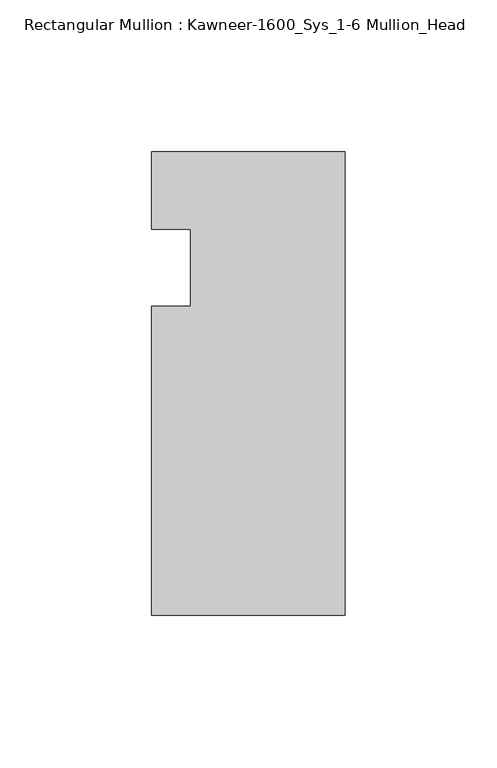
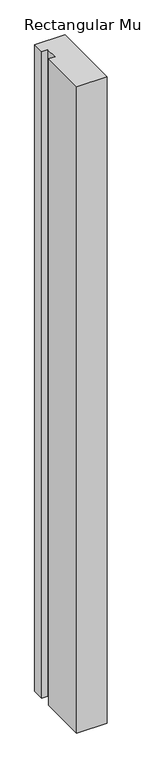
"""IFC4 building model written with IfcOpenShell, lengths in millimetres: member geometry, Rectangular Mullion : Kawneer-1600_Sys_1-6 Mullion_Head."""

import ifcopenshell
import ifcopenshell.guid

model = None  # the IFC model being written
_history = None  # IfcOwnerHistory: only IFC2X3 demands one
_inside = {}  # id of a spatial element -> (the spatial element, [elements in it])
_under = {}  # id of a project, library or spatial element -> (it, [spatial elements below it])
_declared = {}  # id of a project -> (the project, [libraries it declares])
_typed = {}  # id of a type object -> (the type object, [elements of that type])
_made_of = {}  # id of a material, layer set ... -> (it, [elements and type objects made of it])


def new_model(schema):
    """Start an empty IFC model of exactly this schema.

    Asked for "IFC4X3", IfcOpenShell would pick the latest addendum, in which some entities
    have other attributes; the version numbers below select the first issue.
    IFC2X3 requires an IfcOwnerHistory on every rooted entity: one is made here for all.
    """
    global model, _history
    if schema == "IFC4X3":
        model = ifcopenshell.file(schema_version=(4, 3, 0, 0))
    else:
        model = ifcopenshell.file(schema=schema)
    _inside.clear()
    _under.clear()
    _declared.clear()
    _typed.clear()
    _made_of.clear()
    _history = None
    if model.schema == "IFC2X3":
        org = make("IfcOrganization", Name="unknown")
        user = make(
            "IfcPersonAndOrganization",
            ThePerson=make("IfcPerson", FamilyName="unknown"),
            TheOrganization=org,
        )
        app = make(
            "IfcApplication",
            ApplicationDeveloper=org,
            Version="unknown",
            ApplicationFullName="unknown",
            ApplicationIdentifier="unknown",
        )
        _history = make(
            "IfcOwnerHistory",
            OwningUser=user,
            OwningApplication=app,
            ChangeAction="ADDED",
            CreationDate=0,
        )
    return model


def make(cls, **values):
    """One entity of the class cls with the attributes given. An attribute that is None is left unset."""
    return model.create_entity(
        cls, **{name: value for name, value in values.items() if value is not None}
    )


def rooted(cls, **values):
    """An entity with a GlobalId (a new one), such as an element, a storey or a relation."""
    return make(cls, GlobalId=ifcopenshell.guid.new(), OwnerHistory=_history, **values)


def si_unit(unit_type, name, prefix=None):
    """IfcSIUnit, for example si_unit("LENGTHUNIT", "METRE", prefix="MILLI")."""
    return make("IfcSIUnit", UnitType=unit_type, Prefix=prefix, Name=name)


def assignment(units):
    """IfcUnitAssignment: the units of a project."""
    return None if units is None else make("IfcUnitAssignment", Units=units)


def point(xyz):
    """IfcCartesianPoint."""
    return None if xyz is None else make("IfcCartesianPoint", Coordinates=xyz)


def direction(xyz):
    """IfcDirection."""
    return None if xyz is None else make("IfcDirection", DirectionRatios=xyz)


def frame(location, z_axis=None, x_axis=None):
    """IfcAxis2Placement3D, a coordinate frame: its origin and axes. An axis left out is left unset."""
    return make(
        "IfcAxis2Placement3D",
        Location=point(location),
        Axis=direction(z_axis),
        RefDirection=direction(x_axis),
    )


def origin():
    """The frame at (0, 0, 0) with its axes left unset."""
    return frame((0.0, 0.0, 0.0))


def place(relative_to, where):
    """IfcLocalPlacement: puts the frame where relative to a parent placement (None: the world)."""
    return make(
        "IfcLocalPlacement", PlacementRelTo=relative_to, RelativePlacement=where
    )


def context(
    kind, dimensions, precision=None, world=None, true_north=None, identifier=None
):
    """IfcGeometricRepresentationContext, for example the 3D "Model" context."""
    return make(
        "IfcGeometricRepresentationContext",
        ContextIdentifier=identifier,
        ContextType=kind,
        CoordinateSpaceDimension=dimensions,
        Precision=precision,
        WorldCoordinateSystem=world,
        TrueNorth=true_north,
    )


def project(units=None, contexts=None):
    """IfcProject with its units and contexts."""
    return rooted(
        "IfcProject",
        Name="project",
        RepresentationContexts=contexts,
        UnitsInContext=assignment(units),
    )


def spatial(cls, under=None, at=None, **own):
    """A site, building, storey or space (cls), placed at a placement, below another one or the project."""
    s = rooted(cls, ObjectPlacement=at, **own)
    if under is not None:
        _under.setdefault(under.id(), (under, []))[1].append(s)
    return s


def polyline(points):
    """IfcPolyline through the points."""
    return make("IfcPolyline", Points=[point(p) for p in points])


def outline(outer, holes=None, kind="AREA"):
    """IfcArbitraryClosedProfileDef: a profile drawn as a closed curve; with holes, ...WithVoids."""
    if holes is None:
        return make("IfcArbitraryClosedProfileDef", ProfileType=kind, OuterCurve=outer)
    return make(
        "IfcArbitraryProfileDefWithVoids",
        ProfileType=kind,
        OuterCurve=outer,
        InnerCurves=holes,
    )


def extrude(swept, where, along, depth):
    """IfcExtrudedAreaSolid: the profile swept, set in the frame where, extruded along a direction by depth."""
    return make(
        "IfcExtrudedAreaSolid",
        SweptArea=swept,
        Position=where,
        ExtrudedDirection=direction(along),
        Depth=depth,
    )


def shape(context_of_items, identifier, shape_type, items):
    """IfcShapeRepresentation: the items that make up one representation, for example the "Body"."""
    return make(
        "IfcShapeRepresentation",
        ContextOfItems=context_of_items,
        RepresentationIdentifier=identifier,
        RepresentationType=shape_type,
        Items=items,
    )


def source(mapping_origin, context_of_items, identifier, shape_type, items):
    """IfcRepresentationMap: a shape defined once, which mapped items show again and again."""
    return make(
        "IfcRepresentationMap",
        MappingOrigin=mapping_origin,
        MappedRepresentation=shape(context_of_items, identifier, shape_type, items),
    )


def transform(
    local_origin,
    x_axis=None,
    y_axis=None,
    z_axis=None,
    scale=None,
    scale2=None,
    scale3=None,
    uniform=True,
):
    """IfcCartesianTransformationOperator3D, or its non-uniform kind. x_axis, y_axis, z_axis: its Axis1, 2, 3."""
    if uniform:
        return make(
            "IfcCartesianTransformationOperator3D",
            Axis1=direction(x_axis),
            Axis2=direction(y_axis),
            LocalOrigin=point(local_origin),
            Scale=scale,
            Axis3=direction(z_axis),
        )
    return make(
        "IfcCartesianTransformationOperator3DnonUniform",
        Axis1=direction(x_axis),
        Axis2=direction(y_axis),
        LocalOrigin=point(local_origin),
        Scale=scale,
        Axis3=direction(z_axis),
        Scale2=scale2,
        Scale3=scale3,
    )


def mapped(mapping_source, mapping_target):
    """IfcMappedItem: shows the shape of a source again, moved by a transform."""
    return make(
        "IfcMappedItem", MappingSource=mapping_source, MappingTarget=mapping_target
    )


def made_of(thing, what):
    """Note that an element or type object is made of a material, layer set ...; save() writes the relation."""
    if what is not None:
        _made_of.setdefault(what.id(), (what, []))[1].append(thing)
    return thing


def element(
    cls,
    number,
    at=None,
    inside=None,
    cuts=None,
    type_object=None,
    material=None,
    context=None,
    identifier="Body",
    shape_type=None,
    held_by="IfcProductDefinitionShape",
    body=None,
    shapes=None,
    **own,
):
    """One element of the class cls, such as IfcWall. Its Tag is "e" and its number.

    at: its placement. inside: the storey or other place that contains it. cuts: it is an
    opening in that element (IfcRelVoidsElement). A single representation is given by context,
    identifier, shape_type and body (its items); several are given by shapes. held_by: the class
    of the entity that holds the representations. save() writes the other relations.
    """
    e = rooted(cls, Tag="e%d" % number, ObjectPlacement=at, **own)
    if body is not None:
        shapes = [shape(context, identifier, shape_type, body)]
    if shapes is not None:
        e.Representation = make(held_by, Representations=shapes)
    if inside is not None:
        _inside.setdefault(inside.id(), (inside, []))[1].append(e)
    if cuts is not None:
        rooted(
            "IfcRelVoidsElement", RelatingBuildingElement=cuts, RelatedOpeningElement=e
        )
    if type_object is not None:
        _typed.setdefault(type_object.id(), (type_object, []))[1].append(e)
    return made_of(e, material)


def aggregate(whole, parts):
    """IfcRelAggregates: a whole, such as a stair, and the parts it consists of."""
    return rooted("IfcRelAggregates", RelatingObject=whole, RelatedObjects=parts)


def save(model, path):
    """Write the relations noted so far, then the file.

    IfcRelAggregates (storeys below a building ...), IfcRelContainedInSpatialStructure (elements
    in a storey), IfcRelDefinesByType, IfcRelAssociatesMaterial and IfcRelDeclares: one each for
    every whole, place, type object, material and project.
    """
    for whole, parts in _under.values():
        aggregate(whole, parts)
    for where, things in _inside.values():
        rooted(
            "IfcRelContainedInSpatialStructure",
            RelatedElements=things,
            RelatingStructure=where,
        )
    for kind, things in _typed.values():
        rooted("IfcRelDefinesByType", RelatedObjects=things, RelatingType=kind)
    for what, things in _made_of.values():
        rooted("IfcRelAssociatesMaterial", RelatedObjects=things, RelatingMaterial=what)
    for by, libraries in _declared.values():
        rooted("IfcRelDeclares", RelatingContext=by, RelatedDefinitions=libraries)
    model.write(path)


def rectangular_mullion_kawneer_1600_sys_1_6_mullion_head_edb44654(model_context):
    return source(origin(), model_context, "Body", "SweptSolid", [
        extrude(outline(polyline([(-63.5, -114.3), (-63.5, -12.7), (-50.7982296, -12.7), (-50.7982296, 12.7), (-63.5, 12.7), (-63.5, 38.1), (0.0, 38.1), (0.0, -114.3), (-63.5, -114.3)])), frame((0.0, 0.0, -1428.75), z_axis=(0.0, 0.0, 1.0), x_axis=(1.0, 0.0, 0.0)), (0.0, 0.0, 1.0), 1428.75),
    ])


if __name__ == "__main__":
    model = new_model("IFC4")
    model_context = context("Model", 3, world=origin())
    ifc_project = project(units=[si_unit("LENGTHUNIT", "METRE", prefix="MILLI")], contexts=[model_context])
    site = spatial("IfcSite", under=ifc_project)
    building = spatial("IfcBuilding", under=site)
    placement = place(None, origin())
    rectangular_mullion_kawneer_1600_sys_1_6_mullion_head_shape = rectangular_mullion_kawneer_1600_sys_1_6_mullion_head_edb44654(model_context)
    element("IfcMember", 1, ObjectType="Rectangular Mullion : Kawneer-1600_Sys_1-6 Mullion_Head", at=placement, inside=building, context=model_context, shape_type="MappedRepresentation", body=[
        mapped(rectangular_mullion_kawneer_1600_sys_1_6_mullion_head_shape, transform((0.0, 0.0, 0.0), x_axis=(1.0, 0.0, 0.0), y_axis=(0.0, 1.0, 0.0), z_axis=(0.0, 0.0, 1.0))),
    ])
    save(model, "model.ifc")
